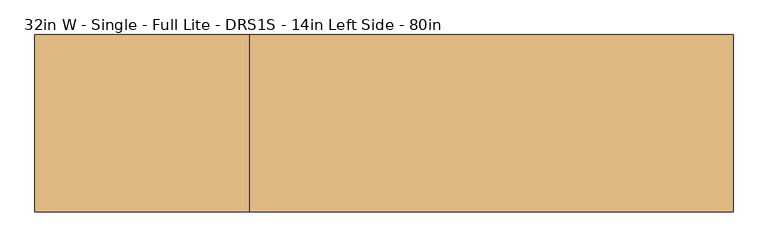
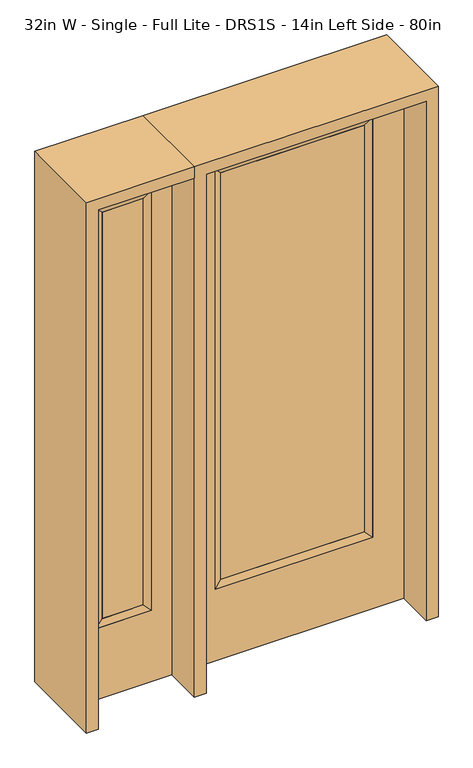
"""IFC4 building model written with IfcOpenShell, lengths in millimetres: door geometry, 32in W - Single - Full Lite - DRS1S - 14in Left Side - 80in."""

from ifc_helpers import new_model, si_unit, frame, origin, place, context, project, spatial, polyline, outline, extrude, faceted_brep, source, transform, mapped, element, save


def door_32in_w_single_full_lite_drs1s_14in_left_side_80in_6ffd4c3d(model_context):
    return source(origin(), model_context, "Body", "SolidModel", [
        extrude(outline(polyline([(265.5824, -12.7039749), (-265.5824, -12.7039749), (-265.5824, 14.2875), (265.5824, 14.2875), (265.5824, -12.7039749)])), frame((0.0, 0.0, 304.8), z_axis=(0.0, 0.0, 1.0), x_axis=(1.0, 0.0, 0.0)), (0.0, 0.0, 1.0), 1591.1576),
        faceted_brep([(265.5824, 14.2875, 1895.9576), (290.9824, 22.225, 1921.3576), (290.9824, 22.225, 279.4), (265.5824, 14.2875, 304.8), (290.9824, -22.225, 1921.3576), (290.9824, -22.225, 279.4), (-290.9824, 22.225, 279.4), (-265.5824, 14.2875, 304.8), (265.5824, -12.7039749, 1895.9576), (265.5824, -12.7039749, 304.8), (-265.5824, -12.7039749, 304.8), (-290.9824, -22.225, 279.4), (-290.9824, 22.225, 1921.3576), (-265.5824, 14.2875, 1895.9576), (-265.5824, -12.7039749, 1895.9576), (-290.9824, -22.225, 1921.3576)], [[[0, 1, 2, 3]], [[1, 4, 5, 2]], [[3, 2, 6, 7]], [[8, 0, 3, 9]], [[9, 3, 7, 10]], [[4, 8, 9, 5]], [[5, 9, 10, 11]], [[2, 5, 11, 6]], [[7, 6, 12, 13]], [[10, 7, 13, 14]], [[11, 10, 14, 15]], [[6, 11, 15, 12]], [[13, 12, 1, 0]], [[14, 13, 0, 8]], [[15, 14, 8, 4]], [[12, 15, 4, 1]]]),
        extrude(outline(polyline([(0.0, -406.4), (0.0, 406.4), (2032.0, 406.4), (2032.0, -406.4), (0.0, -406.4)]), holes=[polyline([(279.4, -290.9824), (1921.3576, -290.9824), (1921.3576, 290.9824), (279.4, 290.9824), (279.4, -290.9824)])]), frame((0.0, -22.225, 0.0), z_axis=(0.0, 1.0, 0.0), x_axis=(0.0, 0.0, 1.0)), (0.0, 0.0, 1.0), 44.45),
        faceted_brep([(-527.05, 20.6375, 1920.875), (-527.05, -20.6375, 1920.875), (-527.05, -20.6375, 279.4), (-527.05, 20.6375, 279.4), (-552.45, -12.7, 1895.475), (-552.45, -12.7, 304.8), (-730.25, -20.6375, 279.4), (-730.25, 20.6375, 279.4), (-552.45, 12.7, 1895.475), (-552.45, 12.7, 304.8), (-704.85, 12.7, 304.8), (-704.85, -12.7, 304.8), (-730.25, -20.6375, 1920.875), (-730.25, 20.6375, 1920.875), (-704.85, 12.7, 1895.475), (-704.85, -12.7, 1895.475)], [[[0, 1, 2, 3]], [[1, 4, 5, 2]], [[3, 2, 6, 7]], [[8, 0, 3, 9]], [[9, 3, 7, 10]], [[4, 8, 9, 5]], [[5, 9, 10, 11]], [[2, 5, 11, 6]], [[7, 6, 12, 13]], [[10, 7, 13, 14]], [[11, 10, 14, 15]], [[6, 11, 15, 12]], [[13, 12, 1, 0]], [[14, 13, 0, 8]], [[15, 14, 8, 4]], [[12, 15, 4, 1]]]),
        extrude(outline(polyline([(0.0, -806.45), (0.0, -450.85), (2032.0, -450.85), (2032.0, -806.45), (0.0, -806.45)]), holes=[polyline([(1920.875, -527.05), (279.4, -527.05), (279.4, -730.25), (1920.875, -730.25), (1920.875, -527.05)])]), frame((0.0, -20.6375, 0.0), z_axis=(0.0, 1.0, 0.0), x_axis=(0.0, 0.0, 1.0)), (0.0, 0.0, 1.0), 41.275),
        extrude(outline(polyline([(-552.45, -12.7), (-704.85, -12.7), (-704.85, 12.7), (-552.45, 12.7), (-552.45, -12.7)])), frame((0.0, 0.0, 304.8), z_axis=(0.0, 0.0, 1.0), x_axis=(1.0, 0.0, 0.0)), (0.0, 0.0, 1.0), 1590.675),
        extrude(outline(polyline([(2032.0, -450.85), (2076.45, -450.85), (2076.45, -850.9), (0.0, -850.9), (0.0, -806.45), (2032.0, -806.45), (2032.0, -450.85)])), frame((0.0, -165.1, 0.0), z_axis=(0.0, 1.0, 0.0), x_axis=(0.0, 0.0, 1.0)), (0.0, 0.0, 1.0), 330.2),
        extrude(outline(polyline([(2076.45, -450.85), (0.0, -450.85), (0.0, -406.4), (2032.0, -406.4), (2032.0, 406.4), (0.0, 406.4), (0.0, 450.85), (2076.45, 450.85), (2076.45, -450.85)])), frame((0.0, -165.1, 0.0), z_axis=(0.0, 1.0, 0.0), x_axis=(0.0, 0.0, 1.0)), (0.0, 0.0, 1.0), 330.2),
    ])


if __name__ == "__main__":
    model = new_model("IFC4")
    model_context = context("Model", 3, world=origin())
    ifc_project = project(units=[si_unit("LENGTHUNIT", "METRE", prefix="MILLI")], contexts=[model_context])
    site = spatial("IfcSite", under=ifc_project)
    building = spatial("IfcBuilding", under=site)
    placement = place(None, origin())
    door_32in_w_single_full_lite_drs1s_14in_left_side_80in_shape = door_32in_w_single_full_lite_drs1s_14in_left_side_80in_6ffd4c3d(model_context)
    element("IfcDoor", 1, ObjectType="32in W - Single - Full Lite - DRS1S - 14in Left Side - 80in", at=placement, inside=building, context=model_context, shape_type="MappedRepresentation", body=[
        mapped(door_32in_w_single_full_lite_drs1s_14in_left_side_80in_shape, transform((0.0, 0.0, 0.0), x_axis=(1.0, 0.0, 0.0), y_axis=(0.0, 1.0, 0.0), z_axis=(0.0, 0.0, 1.0))),
    ])
    save(model, "model.ifc")
